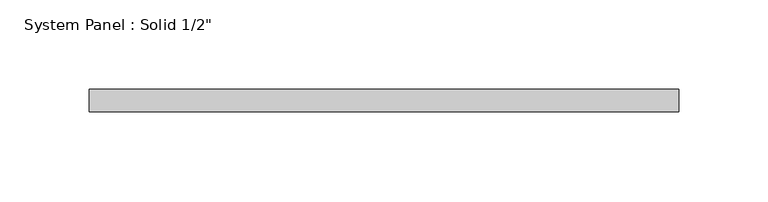
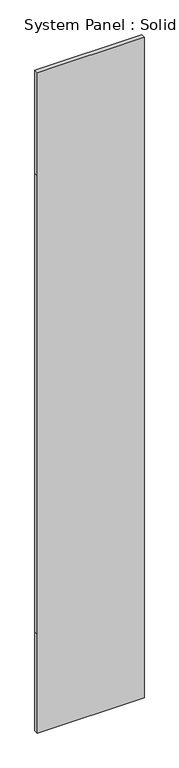
"""IFC4 building model written with IfcOpenShell, lengths in millimetres: plate geometry."""

from ifc_helpers import new_model, si_unit, frame, origin, place, context, project, spatial, polyline, outline, extrude, source, transform, mapped, element, save


def plate_bbea415d(model_context):
    return source(origin(), model_context, "Body", "SweptSolid", [
        extrude(outline(polyline([(0.0, -165.1), (0.0, 165.1), (323.85, 165.1), (1822.45, 165.1), (2159.0, 165.1), (2159.0, -165.1), (1822.45, -165.1), (323.85, -165.1), (0.0, -165.1)])), frame((0.0, -6.35, 0.0), z_axis=(0.0, 1.0, 0.0), x_axis=(0.0, 0.0, 1.0)), (0.0, 0.0, 1.0), 12.7),
    ])


if __name__ == "__main__":
    model = new_model("IFC4")
    model_context = context("Model", 3, world=origin())
    ifc_project = project(units=[si_unit("LENGTHUNIT", "METRE", prefix="MILLI")], contexts=[model_context])
    site = spatial("IfcSite", under=ifc_project)
    building = spatial("IfcBuilding", under=site)
    placement = place(None, origin())
    plate_shape = plate_bbea415d(model_context)
    element("IfcPlate", 1, ObjectType="System Panel : Solid 1/2\"", at=placement, inside=building, context=model_context, shape_type="MappedRepresentation", body=[
        mapped(plate_shape, transform((0.0, 0.0, 0.0), x_axis=(1.0, 0.0, 0.0), y_axis=(0.0, 1.0, 0.0), z_axis=(0.0, 0.0, 1.0))),
    ])
    save(model, "model.ifc")
